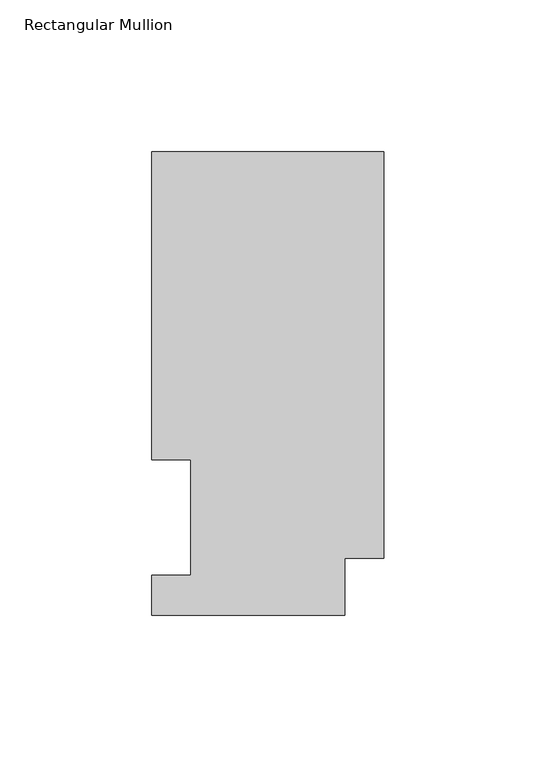
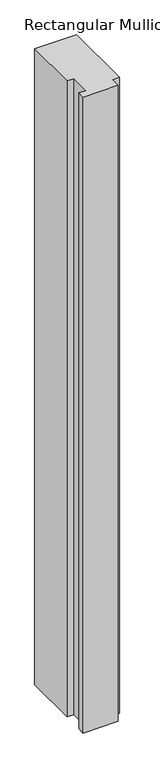
"""IFC4 building model written with IfcOpenShell, lengths in millimetres: member geometry, Rectangular Mullion."""

from ifc_helpers import new_model, si_unit, frame, origin, place, context, project, spatial, polyline, outline, extrude, source, transform, mapped, element, save


def rectangular_mullion_a8afd52a(model_context):
    return source(origin(), model_context, "Body", "SweptSolid", [
        extrude(outline(polyline([(0.0, 18.7332937), (-12.7, 18.7332937), (-12.7, 0.0134938), (-76.2, 0.0134938), (-76.2, 13.1960938), (-63.5, 13.1960938), (-63.5, 51.2960938), (-76.2, 51.2960938), (-76.2, 152.4896937), (0.0, 152.4896938), (0.0, 18.7332937)])), frame((0.0, 0.0, -1219.2), z_axis=(0.0, 0.0, 1.0), x_axis=(1.0, 0.0, 0.0)), (0.0, 0.0, 1.0), 1219.2),
    ])


if __name__ == "__main__":
    model = new_model("IFC4")
    model_context = context("Model", 3, world=origin())
    ifc_project = project(units=[si_unit("LENGTHUNIT", "METRE", prefix="MILLI")], contexts=[model_context])
    site = spatial("IfcSite", under=ifc_project)
    building = spatial("IfcBuilding", under=site)
    placement = place(None, origin())
    rectangular_mullion_shape = rectangular_mullion_a8afd52a(model_context)
    element("IfcMember", 1, ObjectType="Rectangular Mullion", at=placement, inside=building, context=model_context, shape_type="MappedRepresentation", body=[
        mapped(rectangular_mullion_shape, transform((0.0, 0.0, 0.0), x_axis=(1.0, 0.0, 0.0), y_axis=(0.0, 1.0, 0.0), z_axis=(0.0, 0.0, 1.0))),
    ])
    save(model, "model.ifc")
